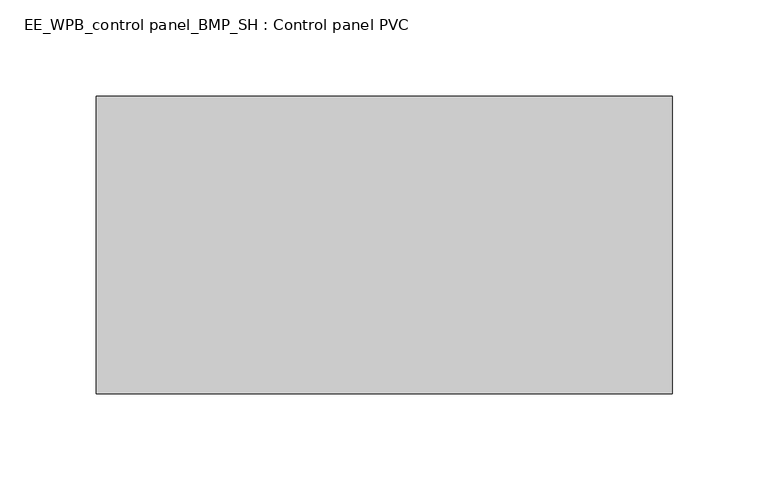
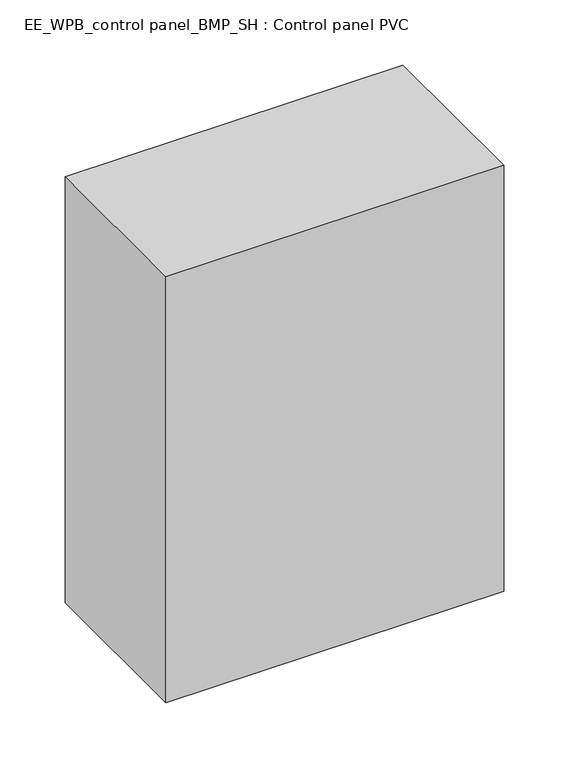
"""IFC4 building model written with IfcOpenShell, lengths in millimetres: electric distribution board geometry, EE_WPB_control panel_BMP_SH : Control panel PVC."""

from ifc_helpers import new_model, si_unit, origin, origin_with_axes, place, context, project, spatial, polyline, outline, extrude, source, transform, mapped, element, save


def ee_wpb_control_panel_bmp_sh_control_panel_pvc_26d0edfe(model_context):
    return source(origin(), model_context, "Body", "SweptSolid", [
        extrude(outline(polyline([(-150.0, 0.0), (150.0, 0.0), (150.0, -155.0), (-150.0, -155.0), (-150.0, 0.0)])), origin_with_axes(), (0.0, 0.0, 1.0), 400.0),
    ])


if __name__ == "__main__":
    model = new_model("IFC4")
    model_context = context("Model", 3, world=origin())
    ifc_project = project(units=[si_unit("LENGTHUNIT", "METRE", prefix="MILLI")], contexts=[model_context])
    site = spatial("IfcSite", under=ifc_project)
    building = spatial("IfcBuilding", under=site)
    placement = place(None, origin())
    ee_wpb_control_panel_bmp_sh_control_panel_pvc_shape = ee_wpb_control_panel_bmp_sh_control_panel_pvc_26d0edfe(model_context)
    element("IfcElectricDistributionBoard", 1, ObjectType="EE_WPB_control panel_BMP_SH : Control panel PVC", at=placement, inside=building, context=model_context, shape_type="MappedRepresentation", body=[
        mapped(ee_wpb_control_panel_bmp_sh_control_panel_pvc_shape, transform((0.0, 0.0, 0.0), x_axis=(1.0, 0.0, 0.0), y_axis=(0.0, 1.0, 0.0), z_axis=(0.0, 0.0, 1.0))),
    ])
    save(model, "model.ifc")
